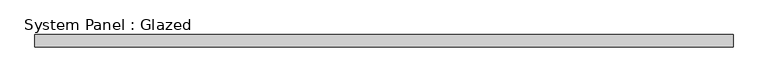
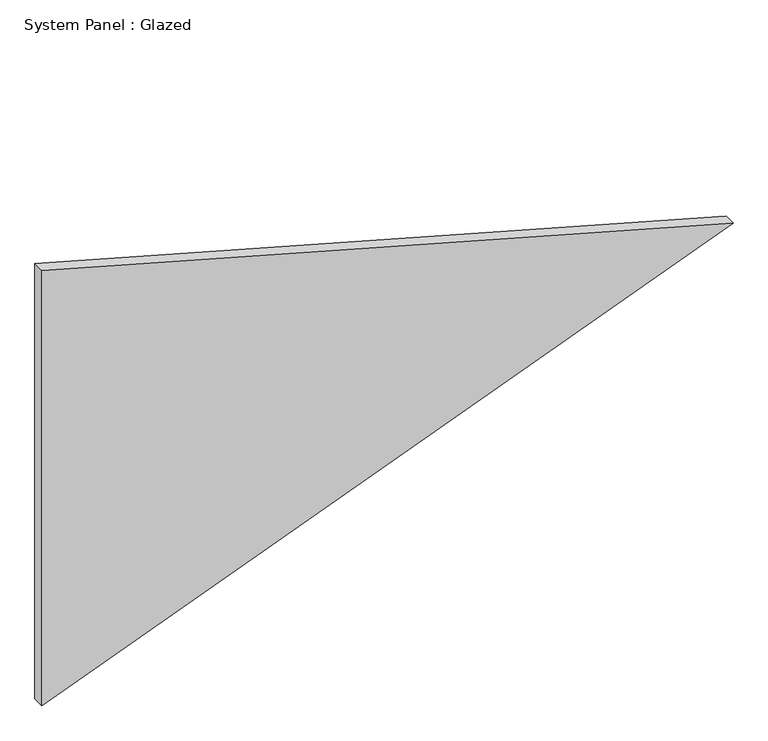
"""IFC4 building model written with IfcOpenShell, lengths in millimetres: plate geometry, System Panel : Glazed."""

import ifcopenshell
import ifcopenshell.guid

model = None  # the IFC model being written
_history = None  # IfcOwnerHistory: only IFC2X3 demands one
_inside = {}  # id of a spatial element -> (the spatial element, [elements in it])
_under = {}  # id of a project, library or spatial element -> (it, [spatial elements below it])
_declared = {}  # id of a project -> (the project, [libraries it declares])
_typed = {}  # id of a type object -> (the type object, [elements of that type])
_made_of = {}  # id of a material, layer set ... -> (it, [elements and type objects made of it])


def new_model(schema):
    """Start an empty IFC model of exactly this schema.

    Asked for "IFC4X3", IfcOpenShell would pick the latest addendum, in which some entities
    have other attributes; the version numbers below select the first issue.
    IFC2X3 requires an IfcOwnerHistory on every rooted entity: one is made here for all.
    """
    global model, _history
    if schema == "IFC4X3":
        model = ifcopenshell.file(schema_version=(4, 3, 0, 0))
    else:
        model = ifcopenshell.file(schema=schema)
    _inside.clear()
    _under.clear()
    _declared.clear()
    _typed.clear()
    _made_of.clear()
    _history = None
    if model.schema == "IFC2X3":
        org = make("IfcOrganization", Name="unknown")
        user = make(
            "IfcPersonAndOrganization",
            ThePerson=make("IfcPerson", FamilyName="unknown"),
            TheOrganization=org,
        )
        app = make(
            "IfcApplication",
            ApplicationDeveloper=org,
            Version="unknown",
            ApplicationFullName="unknown",
            ApplicationIdentifier="unknown",
        )
        _history = make(
            "IfcOwnerHistory",
            OwningUser=user,
            OwningApplication=app,
            ChangeAction="ADDED",
            CreationDate=0,
        )
    return model


def make(cls, **values):
    """One entity of the class cls with the attributes given. An attribute that is None is left unset."""
    return model.create_entity(
        cls, **{name: value for name, value in values.items() if value is not None}
    )


def rooted(cls, **values):
    """An entity with a GlobalId (a new one), such as an element, a storey or a relation."""
    return make(cls, GlobalId=ifcopenshell.guid.new(), OwnerHistory=_history, **values)


def si_unit(unit_type, name, prefix=None):
    """IfcSIUnit, for example si_unit("LENGTHUNIT", "METRE", prefix="MILLI")."""
    return make("IfcSIUnit", UnitType=unit_type, Prefix=prefix, Name=name)


def assignment(units):
    """IfcUnitAssignment: the units of a project."""
    return None if units is None else make("IfcUnitAssignment", Units=units)


def point(xyz):
    """IfcCartesianPoint."""
    return None if xyz is None else make("IfcCartesianPoint", Coordinates=xyz)


def direction(xyz):
    """IfcDirection."""
    return None if xyz is None else make("IfcDirection", DirectionRatios=xyz)


def frame(location, z_axis=None, x_axis=None):
    """IfcAxis2Placement3D, a coordinate frame: its origin and axes. An axis left out is left unset."""
    return make(
        "IfcAxis2Placement3D",
        Location=point(location),
        Axis=direction(z_axis),
        RefDirection=direction(x_axis),
    )


def origin():
    """The frame at (0, 0, 0) with its axes left unset."""
    return frame((0.0, 0.0, 0.0))


def place(relative_to, where):
    """IfcLocalPlacement: puts the frame where relative to a parent placement (None: the world)."""
    return make(
        "IfcLocalPlacement", PlacementRelTo=relative_to, RelativePlacement=where
    )


def context(
    kind, dimensions, precision=None, world=None, true_north=None, identifier=None
):
    """IfcGeometricRepresentationContext, for example the 3D "Model" context."""
    return make(
        "IfcGeometricRepresentationContext",
        ContextIdentifier=identifier,
        ContextType=kind,
        CoordinateSpaceDimension=dimensions,
        Precision=precision,
        WorldCoordinateSystem=world,
        TrueNorth=true_north,
    )


def project(units=None, contexts=None):
    """IfcProject with its units and contexts."""
    return rooted(
        "IfcProject",
        Name="project",
        RepresentationContexts=contexts,
        UnitsInContext=assignment(units),
    )


def spatial(cls, under=None, at=None, **own):
    """A site, building, storey or space (cls), placed at a placement, below another one or the project."""
    s = rooted(cls, ObjectPlacement=at, **own)
    if under is not None:
        _under.setdefault(under.id(), (under, []))[1].append(s)
    return s


def polyline(points):
    """IfcPolyline through the points."""
    return make("IfcPolyline", Points=[point(p) for p in points])


def outline(outer, holes=None, kind="AREA"):
    """IfcArbitraryClosedProfileDef: a profile drawn as a closed curve; with holes, ...WithVoids."""
    if holes is None:
        return make("IfcArbitraryClosedProfileDef", ProfileType=kind, OuterCurve=outer)
    return make(
        "IfcArbitraryProfileDefWithVoids",
        ProfileType=kind,
        OuterCurve=outer,
        InnerCurves=holes,
    )


def extrude(swept, where, along, depth):
    """IfcExtrudedAreaSolid: the profile swept, set in the frame where, extruded along a direction by depth."""
    return make(
        "IfcExtrudedAreaSolid",
        SweptArea=swept,
        Position=where,
        ExtrudedDirection=direction(along),
        Depth=depth,
    )


def shape(context_of_items, identifier, shape_type, items):
    """IfcShapeRepresentation: the items that make up one representation, for example the "Body"."""
    return make(
        "IfcShapeRepresentation",
        ContextOfItems=context_of_items,
        RepresentationIdentifier=identifier,
        RepresentationType=shape_type,
        Items=items,
    )


def source(mapping_origin, context_of_items, identifier, shape_type, items):
    """IfcRepresentationMap: a shape defined once, which mapped items show again and again."""
    return make(
        "IfcRepresentationMap",
        MappingOrigin=mapping_origin,
        MappedRepresentation=shape(context_of_items, identifier, shape_type, items),
    )


def transform(
    local_origin,
    x_axis=None,
    y_axis=None,
    z_axis=None,
    scale=None,
    scale2=None,
    scale3=None,
    uniform=True,
):
    """IfcCartesianTransformationOperator3D, or its non-uniform kind. x_axis, y_axis, z_axis: its Axis1, 2, 3."""
    if uniform:
        return make(
            "IfcCartesianTransformationOperator3D",
            Axis1=direction(x_axis),
            Axis2=direction(y_axis),
            LocalOrigin=point(local_origin),
            Scale=scale,
            Axis3=direction(z_axis),
        )
    return make(
        "IfcCartesianTransformationOperator3DnonUniform",
        Axis1=direction(x_axis),
        Axis2=direction(y_axis),
        LocalOrigin=point(local_origin),
        Scale=scale,
        Axis3=direction(z_axis),
        Scale2=scale2,
        Scale3=scale3,
    )


def mapped(mapping_source, mapping_target):
    """IfcMappedItem: shows the shape of a source again, moved by a transform."""
    return make(
        "IfcMappedItem", MappingSource=mapping_source, MappingTarget=mapping_target
    )


def made_of(thing, what):
    """Note that an element or type object is made of a material, layer set ...; save() writes the relation."""
    if what is not None:
        _made_of.setdefault(what.id(), (what, []))[1].append(thing)
    return thing


def element(
    cls,
    number,
    at=None,
    inside=None,
    cuts=None,
    type_object=None,
    material=None,
    context=None,
    identifier="Body",
    shape_type=None,
    held_by="IfcProductDefinitionShape",
    body=None,
    shapes=None,
    **own,
):
    """One element of the class cls, such as IfcWall. Its Tag is "e" and its number.

    at: its placement. inside: the storey or other place that contains it. cuts: it is an
    opening in that element (IfcRelVoidsElement). A single representation is given by context,
    identifier, shape_type and body (its items); several are given by shapes. held_by: the class
    of the entity that holds the representations. save() writes the other relations.
    """
    e = rooted(cls, Tag="e%d" % number, ObjectPlacement=at, **own)
    if body is not None:
        shapes = [shape(context, identifier, shape_type, body)]
    if shapes is not None:
        e.Representation = make(held_by, Representations=shapes)
    if inside is not None:
        _inside.setdefault(inside.id(), (inside, []))[1].append(e)
    if cuts is not None:
        rooted(
            "IfcRelVoidsElement", RelatingBuildingElement=cuts, RelatedOpeningElement=e
        )
    if type_object is not None:
        _typed.setdefault(type_object.id(), (type_object, []))[1].append(e)
    return made_of(e, material)


def aggregate(whole, parts):
    """IfcRelAggregates: a whole, such as a stair, and the parts it consists of."""
    return rooted("IfcRelAggregates", RelatingObject=whole, RelatedObjects=parts)


def save(model, path):
    """Write the relations noted so far, then the file.

    IfcRelAggregates (storeys below a building ...), IfcRelContainedInSpatialStructure (elements
    in a storey), IfcRelDefinesByType, IfcRelAssociatesMaterial and IfcRelDeclares: one each for
    every whole, place, type object, material and project.
    """
    for whole, parts in _under.values():
        aggregate(whole, parts)
    for where, things in _inside.values():
        rooted(
            "IfcRelContainedInSpatialStructure",
            RelatedElements=things,
            RelatingStructure=where,
        )
    for kind, things in _typed.values():
        rooted("IfcRelDefinesByType", RelatedObjects=things, RelatingType=kind)
    for what, things in _made_of.values():
        rooted("IfcRelAssociatesMaterial", RelatedObjects=things, RelatingMaterial=what)
    for by, libraries in _declared.values():
        rooted("IfcRelDeclares", RelatingContext=by, RelatedDefinitions=libraries)
    model.write(path)


def system_panel_glazed_9ad165db(model_context):
    return source(origin(), model_context, "Body", "SweptSolid", [
        extrude(outline(polyline([(0.0, -1026.4668132), (798.1082805, 1026.4668132), (1367.6196277, -1026.4668132), (0.0, -1026.4668132)])), frame((0.0, -18.0, 0.0), z_axis=(0.0, 1.0, 0.0), x_axis=(0.0, 0.0, 1.0)), (0.0, 0.0, 1.0), 36.0),
    ])


if __name__ == "__main__":
    model = new_model("IFC4")
    model_context = context("Model", 3, world=origin())
    ifc_project = project(units=[si_unit("LENGTHUNIT", "METRE", prefix="MILLI")], contexts=[model_context])
    site = spatial("IfcSite", under=ifc_project)
    building = spatial("IfcBuilding", under=site)
    placement = place(None, origin())
    system_panel_glazed_shape = system_panel_glazed_9ad165db(model_context)
    element("IfcPlate", 1, ObjectType="System Panel : Glazed", at=placement, inside=building, context=model_context, shape_type="MappedRepresentation", body=[
        mapped(system_panel_glazed_shape, transform((0.0, 0.0, 0.0), x_axis=(1.0, 0.0, 0.0), y_axis=(0.0, 1.0, 0.0), z_axis=(0.0, 0.0, 1.0))),
    ])
    save(model, "model.ifc")
